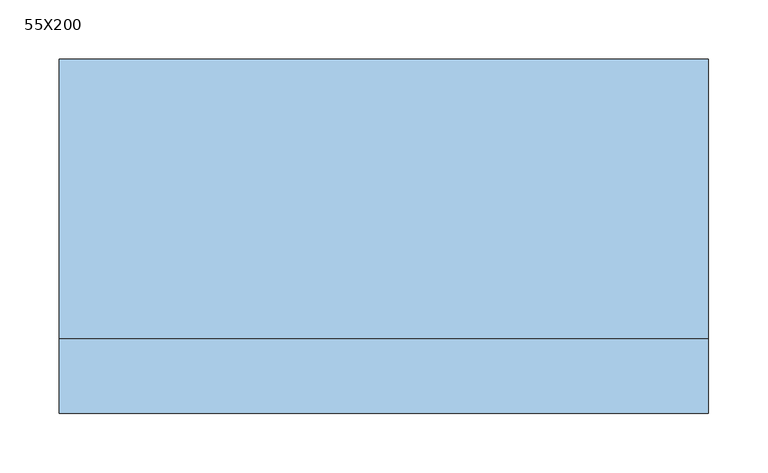
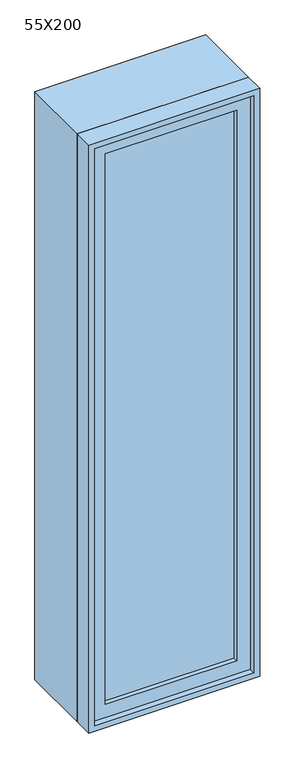
"""IFC4 building model written with IfcOpenShell, lengths in millimetres: window geometry, 55X200."""

from ifc_helpers import new_model, si_unit, frame, origin, place, context, project, spatial, polyline, outline, extrude, source, transform, mapped, element, save


def window_55x200_8862b076(model_context):
    return source(origin(), model_context, "Body", "SweptSolid", [
        extrude(outline(polyline([(173.4, -102.375), (173.4, -115.075), (-249.6, -115.075), (-249.6, -102.375), (173.4, -102.375)])), frame((0.0, 0.0, 977.9), z_axis=(0.0, 0.0, 1.0), x_axis=(1.0, 0.0, 0.0)), (0.0, 0.0, 1.0), 1873.0),
        extrude(outline(polyline([(2895.35, -294.05), (933.45, -294.05), (933.45, 217.85), (2895.35, 217.85), (2895.35, -294.05)]), holes=[polyline([(2850.9, -249.6), (2850.9, 173.4), (977.9, 173.4), (977.9, -249.6), (2850.9, -249.6)])]), frame((0.0, -130.95, 0.0), z_axis=(0.0, 1.0, 0.0), x_axis=(0.0, 0.0, 1.0)), (0.0, 0.0, 1.0), 44.45),
        extrude(outline(polyline([(2914.4, -313.1), (914.4, -313.1), (914.4, 236.9), (2914.4, 236.9), (2914.4, -313.1)]), holes=[polyline([(2882.65, -281.35), (2882.65, 205.15), (946.15, 205.15), (946.15, -281.35), (2882.65, -281.35)])]), frame((0.0, -86.5, 0.0), z_axis=(0.0, 1.0, 0.0), x_axis=(0.0, 0.0, 1.0)), (0.0, 0.0, 1.0), 236.5),
        extrude(outline(polyline([(2914.4, 236.9), (2914.4, -313.1), (914.4, -313.1), (914.4, 236.9), (2914.4, 236.9)]), holes=[polyline([(2895.35, 217.85), (933.45, 217.85), (933.45, -294.05), (2895.35, -294.05), (2895.35, 217.85)])]), frame((0.0, -150.0, 0.0), z_axis=(0.0, 1.0, 0.0), x_axis=(0.0, 0.0, 1.0)), (0.0, 0.0, 1.0), 63.5),
    ])


if __name__ == "__main__":
    model = new_model("IFC4")
    model_context = context("Model", 3, world=origin())
    ifc_project = project(units=[si_unit("LENGTHUNIT", "METRE", prefix="MILLI")], contexts=[model_context])
    site = spatial("IfcSite", under=ifc_project)
    building = spatial("IfcBuilding", under=site)
    placement = place(None, origin())
    window_55x200_shape = window_55x200_8862b076(model_context)
    element("IfcWindow", 1, ObjectType="55X200", at=placement, inside=building, context=model_context, shape_type="MappedRepresentation", body=[
        mapped(window_55x200_shape, transform((0.0, 0.0, 0.0), x_axis=(1.0, 0.0, 0.0), y_axis=(0.0, 1.0, 0.0), z_axis=(0.0, 0.0, 1.0))),
    ])
    save(model, "model.ifc")
